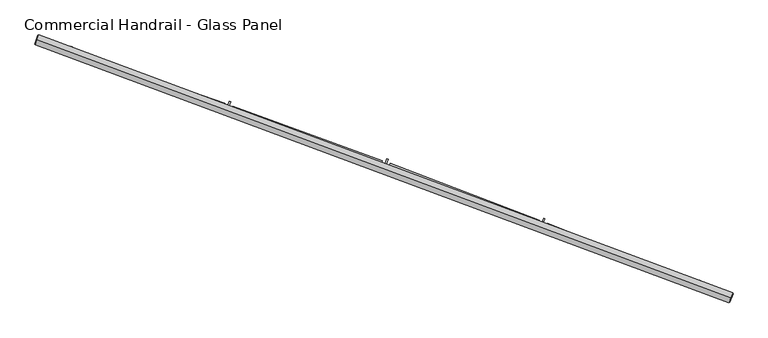
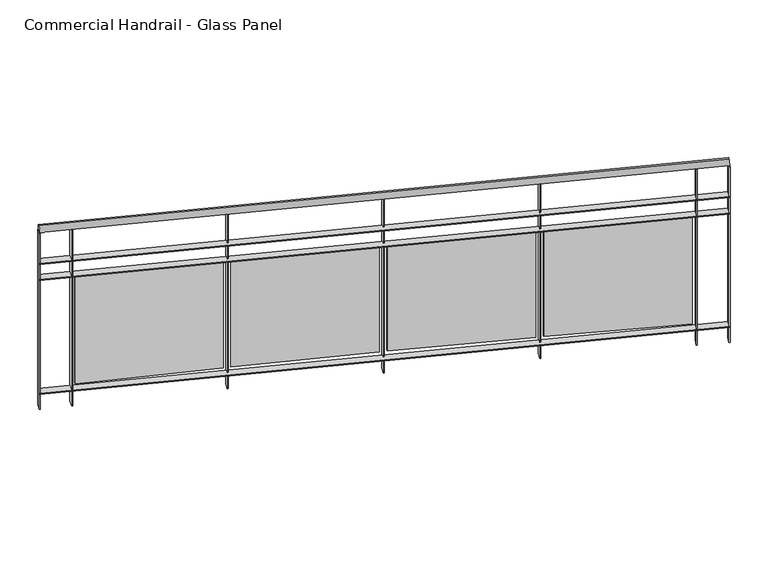
"""IFC4 building model written with IfcOpenShell, lengths in millimetres: railing geometry, Commercial Handrail - Glass Panel."""

from ifc_helpers import new_model, si_unit, point, frame, origin, place, context, project, spatial, polyline, circle_curve, ellipse_curve, trimmed, outline, extrude, source, transform, mapped, element, save
from ifc_brep_helpers import plane_surface, cylinder_surface, revolved_surface, advanced_brep


def commercial_handrail_glass_panel_0ecd3e2b(model_context):
    return source(origin(), model_context, "Body", "SolidModel", [
        advanced_brep(
        [(154688.5443704, -12503.5611776, 9482.5), (151378.1394206, -11272.5411914, 9482.5), (151378.1394206, -11272.5411914, 9517.5), (154688.5443704, -12503.5611776, 9517.5)],
        [
            (0, 1, circle_curve(frame((133423.8827296, -64620.9486284, 9482.5), z_axis=(0.0, 0.0, 1.0), x_axis=(0.31896783130581285, 0.9477655419944674, 0.0)), 56288.6126085)),
            (1, 2, ellipse_curve(frame((151378.1394206, -11272.5411914, 9500.0), z_axis=(0.9477655419944653, -0.318967831305819, 0.0), x_axis=(-0.318967831305819, -0.9477655419944653, 0.0)), 25.0, 17.5)),
            (2, 3, circle_curve(frame((133423.8827296, -64620.9486284, 9517.5), z_axis=(0.0, 0.0, -1.0), x_axis=(0.31896783130581285, 0.9477655419944674, 0.0)), 56288.6126085)),
            (3, 0, ellipse_curve(frame((154688.5443704, -12503.5611776, 9500.0), z_axis=(-0.9258957546749953, 0.3777791040738237, 0.0), x_axis=(-0.3777791040738237, -0.9258957546749953, 0.0)), 25.0, 17.5)),
            (2, 1, ellipse_curve(frame((151378.1394206, -11272.5411914, 9500.0), z_axis=(0.9477655419944653, -0.318967831305819, 0.0), x_axis=(-0.318967831305819, -0.9477655419944653, 0.0)), 25.0, 17.5)),
            (0, 3, ellipse_curve(frame((154688.5443704, -12503.5611776, 9500.0), z_axis=(-0.9258957546749953, 0.3777791040738237, 0.0), x_axis=(-0.3777791040738237, -0.9258957546749953, 0.0)), 25.0, 17.5)),
        ],
        [
            revolved_surface(trimmed(ellipse_curve(frame((151378.1394206, -11272.5411914, 9500.0), z_axis=(-0.9477655419944674, 0.31896783130581285, 0.0), x_axis=(0.0, 0.0, -1.0)), 17.5, 25.0), [point((151378.1394206, -11272.5411914, 9517.5))], [point((151378.1394206, -11272.5411914, 9482.5))], True, "CARTESIAN"), (133423.8827296, -64620.9486284, 9500.0), (0.0, 0.0, -1.0)),
            revolved_surface(trimmed(ellipse_curve(frame((151378.1394206, -11272.5411914, 9500.0), z_axis=(-0.9477655419944674, 0.31896783130581285, 0.0), x_axis=(0.0, 0.0, -1.0)), 17.5, 25.0), [point((151378.1394206, -11272.5411914, 9482.5))], [point((151378.1394206, -11272.5411914, 9517.5))], True, "CARTESIAN"), (133423.8827296, -64620.9486284, 9500.0), (0.0, 0.0, -1.0)),
            plane_surface(frame((151378.1394206, -11272.5411914, 9500.0), z_axis=(-0.9477655419944674, 0.31896783130581285, 0.0), x_axis=(0.31896783130581285, 0.9477655419944674, 0.0))),
            plane_surface(frame((154688.5443704, -12503.5611776, 9500.0), z_axis=(0.9258957546749954, -0.3777791040738237, 0.0), x_axis=(0.3777791040738237, 0.9258957546749954, 0.0))),
        ],
        [
            (0, [[1, 2, 3, 4]]),
            (1, [[-3, 5, -1, 6]]),
            (2, [[-2, -5]]),
            (3, [[-6, -4]]),
        ],
    ),
        advanced_brep(
        [(154697.0444003, -12482.7285231, 9300.0), (151385.3161968, -11251.2164667, 9300.0), (151370.9626444, -11293.865916, 9300.0), (154680.0443406, -12524.3938321, 9300.0), (154697.0444003, -12482.7285231, 9294.0), (151385.3161968, -11251.2164667, 9294.0), (154680.0443406, -12524.3938321, 9294.0), (151370.9626444, -11293.865916, 9294.0)],
        [
            (0, 1, circle_curve(frame((133423.8827296, -64620.9486284, 9300.0), z_axis=(0.0, 0.0, 1.0), x_axis=(0.31896783130581285, 0.9477655419944674, 0.0)), 56311.1126085)),
            (1, 2),
            (2, 3, circle_curve(frame((133423.8827296, -64620.9486284, 9300.0), z_axis=(0.0, 0.0, -1.0), x_axis=(0.31896783130581285, 0.9477655419944674, 0.0)), 56266.1126085)),
            (3, 0),
            (4, 5, circle_curve(frame((133423.8827296, -64620.9486284, 9294.0), z_axis=(0.0, 0.0, 1.0), x_axis=(0.31896783130581285, 0.9477655419944674, 0.0)), 56311.1126085)),
            (5, 1),
            (0, 4),
            (6, 7, circle_curve(frame((133423.8827296, -64620.9486284, 9294.0), z_axis=(0.0, 0.0, 1.0), x_axis=(0.31896783130581285, 0.9477655419944674, 0.0)), 56266.1126085)),
            (7, 5),
            (4, 6),
            (2, 7),
            (6, 3),
        ],
        [
            plane_surface(frame((133423.8827296, -64620.9486284, 9300.0), z_axis=(0.0, 0.0, 1.0), x_axis=(0.31896783130581285, 0.9477655419944674, 0.0))),
            cylinder_surface(frame((133423.8827296, -64620.9486284, 9300.0), z_axis=(0.0, 0.0, -1.0), x_axis=(0.31896783130581285, 0.9477655419944674, 0.0)), 56311.1126085),
            plane_surface(frame((133423.8827296, -64620.9486284, 9294.0), z_axis=(0.0, 0.0, -1.0), x_axis=(0.31896783130581285, 0.9477655419944674, 0.0))),
            revolved_surface(polyline([(151370.9626443419, -11293.865916083261, 9294.0), (151370.9626443419, -11293.865916083261, 9300.0)]), (133423.8827296, -64620.9486284, 9300.0), (0.0, 0.0, -1.0)),
            plane_surface(frame((151378.1394206, -11272.5411914, 9300.0), z_axis=(-0.9477655419944674, 0.31896783130581285, 0.0), x_axis=(0.31896783130581285, 0.9477655419944674, 0.0))),
            plane_surface(frame((154688.5443704, -12503.5611776, 9300.0), z_axis=(0.9258957546749954, -0.3777791040738237, 0.0), x_axis=(0.3777791040738237, 0.9258957546749954, 0.0))),
        ],
        [
            (0, [[1, 2, 3, 4]]),
            (1, [[5, 6, -1, 7]]),
            (2, [[8, 9, -5, 10]]),
            (3, [[-3, 11, -8, 12]]),
            (4, [[-2, -6, -9, -11]]),
            (5, [[-12, -10, -7, -4]]),
        ],
    ),
        advanced_brep(
        [(154697.0444003, -12482.7285231, 9200.0), (151385.3161968, -11251.2164667, 9200.0), (151370.9626444, -11293.865916, 9200.0), (154680.0443406, -12524.3938321, 9200.0), (154697.0444003, -12482.7285231, 9194.0), (151385.3161968, -11251.2164667, 9194.0), (154680.0443406, -12524.3938321, 9194.0), (151370.9626444, -11293.865916, 9194.0)],
        [
            (0, 1, circle_curve(frame((133423.8827296, -64620.9486284, 9200.0), z_axis=(0.0, 0.0, 1.0), x_axis=(0.31896783130581285, 0.9477655419944674, 0.0)), 56311.1126085)),
            (1, 2),
            (2, 3, circle_curve(frame((133423.8827296, -64620.9486284, 9200.0), z_axis=(0.0, 0.0, -1.0), x_axis=(0.31896783130581285, 0.9477655419944674, 0.0)), 56266.1126085)),
            (3, 0),
            (4, 5, circle_curve(frame((133423.8827296, -64620.9486284, 9194.0), z_axis=(0.0, 0.0, 1.0), x_axis=(0.31896783130581285, 0.9477655419944674, 0.0)), 56311.1126085)),
            (5, 1),
            (0, 4),
            (6, 7, circle_curve(frame((133423.8827296, -64620.9486284, 9194.0), z_axis=(0.0, 0.0, 1.0), x_axis=(0.31896783130581285, 0.9477655419944674, 0.0)), 56266.1126085)),
            (7, 5),
            (4, 6),
            (2, 7),
            (6, 3),
        ],
        [
            plane_surface(frame((133423.8827296, -64620.9486284, 9200.0), z_axis=(0.0, 0.0, 1.0), x_axis=(0.31896783130581285, 0.9477655419944674, 0.0))),
            cylinder_surface(frame((133423.8827296, -64620.9486284, 9200.0), z_axis=(0.0, 0.0, -1.0), x_axis=(0.31896783130581285, 0.9477655419944674, 0.0)), 56311.1126085),
            plane_surface(frame((133423.8827296, -64620.9486284, 9194.0), z_axis=(0.0, 0.0, -1.0), x_axis=(0.31896783130581285, 0.9477655419944674, 0.0))),
            revolved_surface(polyline([(151370.9626443419, -11293.865916083261, 9194.0), (151370.9626443419, -11293.865916083261, 9200.0)]), (133423.8827296, -64620.9486284, 9200.0), (0.0, 0.0, -1.0)),
            plane_surface(frame((151378.1394206, -11272.5411914, 9200.0), z_axis=(-0.9477655419944674, 0.31896783130581285, 0.0), x_axis=(0.31896783130581285, 0.9477655419944674, 0.0))),
            plane_surface(frame((154688.5443704, -12503.5611776, 9200.0), z_axis=(0.9258957546749954, -0.3777791040738237, 0.0), x_axis=(0.3777791040738237, 0.9258957546749954, 0.0))),
        ],
        [
            (0, [[1, 2, 3, 4]]),
            (1, [[5, 6, -1, 7]]),
            (2, [[8, 9, -5, 10]]),
            (3, [[-3, 11, -8, 12]]),
            (4, [[-2, -6, -9, -11]]),
            (5, [[-12, -10, -7, -4]]),
        ],
    ),
        advanced_brep(
        [(154697.0444003, -12482.7285231, 8500.0), (151385.3161968, -11251.2164667, 8500.0), (151370.9626444, -11293.865916, 8500.0), (154680.0443406, -12524.3938321, 8500.0), (154697.0444003, -12482.7285231, 8494.0), (151385.3161968, -11251.2164667, 8494.0), (154680.0443406, -12524.3938321, 8494.0), (151370.9626444, -11293.865916, 8494.0)],
        [
            (0, 1, circle_curve(frame((133423.8827296, -64620.9486284, 8500.0), z_axis=(0.0, 0.0, 1.0), x_axis=(0.31896783130581285, 0.9477655419944674, 0.0)), 56311.1126085)),
            (1, 2),
            (2, 3, circle_curve(frame((133423.8827296, -64620.9486284, 8500.0), z_axis=(0.0, 0.0, -1.0), x_axis=(0.31896783130581285, 0.9477655419944674, 0.0)), 56266.1126085)),
            (3, 0),
            (4, 5, circle_curve(frame((133423.8827296, -64620.9486284, 8494.0), z_axis=(0.0, 0.0, 1.0), x_axis=(0.31896783130581285, 0.9477655419944674, 0.0)), 56311.1126085)),
            (5, 1),
            (0, 4),
            (6, 7, circle_curve(frame((133423.8827296, -64620.9486284, 8494.0), z_axis=(0.0, 0.0, 1.0), x_axis=(0.31896783130581285, 0.9477655419944674, 0.0)), 56266.1126085)),
            (7, 5),
            (4, 6),
            (2, 7),
            (6, 3),
        ],
        [
            plane_surface(frame((133423.8827296, -64620.9486284, 8500.0), z_axis=(0.0, 0.0, 1.0), x_axis=(0.31896783130581285, 0.9477655419944674, 0.0))),
            cylinder_surface(frame((133423.8827296, -64620.9486284, 8500.0), z_axis=(0.0, 0.0, -1.0), x_axis=(0.31896783130581285, 0.9477655419944674, 0.0)), 56311.1126085),
            plane_surface(frame((133423.8827296, -64620.9486284, 8494.0), z_axis=(0.0, 0.0, -1.0), x_axis=(0.31896783130581285, 0.9477655419944674, 0.0))),
            revolved_surface(polyline([(151370.9626443419, -11293.865916083261, 8494.0), (151370.9626443419, -11293.865916083261, 8500.0)]), (133423.8827296, -64620.9486284, 8500.0), (0.0, 0.0, -1.0)),
            plane_surface(frame((151378.1394206, -11272.5411914, 8500.0), z_axis=(-0.9477655419944674, 0.31896783130581285, 0.0), x_axis=(0.31896783130581285, 0.9477655419944674, 0.0))),
            plane_surface(frame((154688.5443704, -12503.5611776, 8500.0), z_axis=(0.9258957546749954, -0.3777791040738237, 0.0), x_axis=(0.3777791040738237, 0.9258957546749954, 0.0))),
        ],
        [
            (0, [[1, 2, 3, 4]]),
            (1, [[5, 6, -1, 7]]),
            (2, [[8, 9, -5, 10]]),
            (3, [[-3, 11, -8, 12]]),
            (4, [[-2, -6, -9, -11]]),
            (5, [[-12, -10, -7, -4]]),
        ],
    ),
        extrude(outline(polyline([(154523.3199189, -12460.722523), (154540.1968592, -12419.0071914), (154545.7589034, -12421.2574501), (154528.8819631, -12462.9727817), (154523.3199189, -12460.722523)])), frame((0.0, 0.0, 8400.0), z_axis=(0.0, 0.0, 1.0), x_axis=(1.0, 0.0, 0.0)), (0.0, 0.0, 1.0), 1082.1192282),
        extrude(outline(polyline([(153812.1505834, -12146.7040634), (154518.6838869, -12426.7231539), (154514.2625328, -12437.8789429), (153807.7292294, -12157.8598524), (153812.1505834, -12146.7040634)])), frame((0.0, 0.0, 8520.0), z_axis=(0.0, 0.0, 1.0), x_axis=(1.0, 0.0, 0.0)), (0.0, 0.0, 1.0), 660.0),
        extrude(outline(polyline([(153779.8884832, -12166.1255247), (153796.1708612, -12124.1745514), (153801.7643243, -12126.3455351), (153785.4819463, -12168.2965085), (153779.8884832, -12166.1255247)])), frame((0.0, 0.0, 8400.0), z_axis=(0.0, 0.0, 1.0), x_axis=(1.0, 0.0, 0.0)), (0.0, 0.0, 1.0), 1082.1192282),
        extrude(outline(polyline([(153064.3281461, -11862.2459094), (153774.7697208, -12132.1954767), (153770.5073592, -12143.4129753), (153060.0657845, -11873.463408), (153064.3281461, -11862.2459094)])), frame((0.0, 0.0, 8520.0), z_axis=(0.0, 0.0, 1.0), x_axis=(1.0, 0.0, 0.0)), (0.0, 0.0, 1.0), 660.0),
        extrude(outline(polyline([(153032.3453218, -11882.1239179), (153048.0298486, -11839.9457764), (153053.6536008, -11842.0370466), (153037.969074, -11884.2151881), (153032.3453218, -11882.1239179)])), frame((0.0, 0.0, 8400.0), z_axis=(0.0, 0.0, 1.0), x_axis=(1.0, 0.0, 0.0)), (0.0, 0.0, 1.0), 1082.1192282),
        extrude(outline(polyline([(152312.5385196, -11588.4445277), (153026.7448629, -11848.2700444), (153022.6423547, -11859.5469867), (152308.4360114, -11599.7214699), (152312.5385196, -11588.4445277)])), frame((0.0, 0.0, 8520.0), z_axis=(0.0, 0.0, 1.0), x_axis=(1.0, 0.0, 0.0)), (0.0, 0.0, 1.0), 660.0),
        extrude(outline(polyline([(152280.8414314, -11608.775068), (152295.9249389, -11566.378278), (152301.5778442, -11568.3894124), (152286.4943367, -11610.7862024), (152280.8414314, -11608.775068)])), frame((0.0, 0.0, 8400.0), z_axis=(0.0, 0.0, 1.0), x_axis=(1.0, 0.0, 0.0)), (0.0, 0.0, 1.0), 1082.1192282),
        extrude(outline(polyline([(151556.9335585, -11325.3552235), (152274.7604073, -11575.0042073), (152270.8185812, -11586.3383154), (151552.9917324, -11336.6893316), (151556.9335585, -11325.3552235)])), frame((0.0, 0.0, 8520.0), z_axis=(0.0, 0.0, 1.0), x_axis=(1.0, 0.0, 0.0)), (0.0, 0.0, 1.0), 660.0),
        extrude(outline(polyline([(151525.528609, -11346.1341892), (151540.0080505, -11303.5273144), (151545.6889671, -11305.4579066), (151531.2095256, -11348.0647814), (151525.528609, -11346.1341892)])), frame((0.0, 0.0, 8400.0), z_axis=(0.0, 0.0, 1.0), x_axis=(1.0, 0.0, 0.0)), (0.0, 0.0, 1.0), 1082.1192282),
        extrude(outline(polyline([(154677.2666533, -12523.2604948), (154694.266713, -12481.5951858), (154699.8220875, -12483.8618604), (154682.8220279, -12525.5271694), (154677.2666533, -12523.2604948)])), frame((0.0, 0.0, 8400.0), z_axis=(0.0, 0.0, 1.0), x_axis=(1.0, 0.0, 0.0)), (0.0, 0.0, 1.0), 1082.1192282),
        extrude(outline(polyline([(151368.1193477, -11292.9090126), (151382.4729002, -11250.2595632), (151388.1594934, -11252.1733702), (151373.805941, -11294.8228195), (151368.1193477, -11292.9090126)])), frame((0.0, 0.0, 8400.0), z_axis=(0.0, 0.0, 1.0), x_axis=(1.0, 0.0, 0.0)), (0.0, 0.0, 1.0), 1082.1192282),
    ])


if __name__ == "__main__":
    model = new_model("IFC4")
    model_context = context("Model", 3, world=origin())
    ifc_project = project(units=[si_unit("LENGTHUNIT", "METRE", prefix="MILLI")], contexts=[model_context])
    site = spatial("IfcSite", under=ifc_project)
    building = spatial("IfcBuilding", under=site)
    placement = place(None, origin())
    commercial_handrail_glass_panel_shape = commercial_handrail_glass_panel_0ecd3e2b(model_context)
    element("IfcRailing", 1, ObjectType="Commercial Handrail - Glass Panel", at=placement, inside=building, context=model_context, shape_type="MappedRepresentation", body=[
        mapped(commercial_handrail_glass_panel_shape, transform((0.0, 0.0, 0.0), x_axis=(1.0, 0.0, 0.0), y_axis=(0.0, 1.0, 0.0), z_axis=(0.0, 0.0, 1.0))),
    ])
    save(model, "model.ifc")
